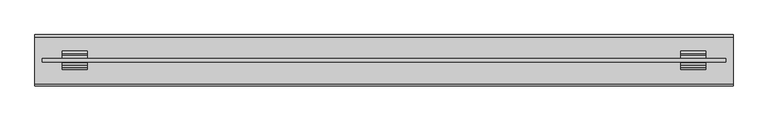
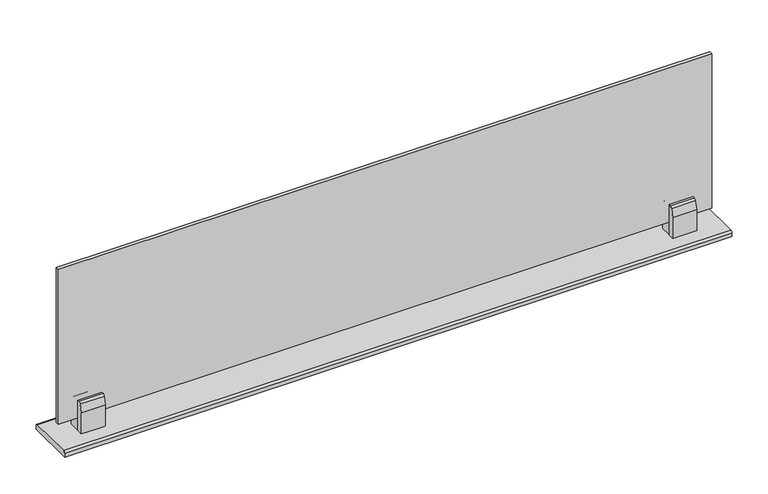
"""IFC4 building model written with IfcOpenShell, lengths in millimetres: furniture geometry."""

from ifc_helpers import new_model, si_unit, point, frame, frame_2d, origin, place, context, project, spatial, polyline, circle_curve, trimmed, segment, composite_curve, outline, extrude, source, transform, mapped, element, save


def furniture_9755a8c0(model_context):
    return source(origin(), model_context, "Body", "SweptSolid", [
        extrude(outline(polyline([(-9.1179732, 1211.2625), (-5.645317, 1211.2625), (-5.645317, 1160.4625), (-15.6664107, 1160.4625), (-15.6664107, 1195.9828125), (-12.1937545, 1208.88125), (-9.1179732, 1211.2625)])), frame((223.205675, 0.0, 0.0), z_axis=(1.0, 0.0, 0.0), x_axis=(0.0, 1.0, 0.0)), (0.0, 0.0, 1.0), 38.1),
        extrude(outline(polyline([(5.8204018, 1211.2625), (8.896183, 1208.88125), (12.3688393, 1195.9828125), (12.3688393, 1160.4625), (-5.4468795, 1160.4625), (-5.4468795, 1180.8023437), (2.3477455, 1180.8023437), (2.3477455, 1211.2625), (5.8204018, 1211.2625)])), frame((223.205675, 0.0, 0.0), z_axis=(1.0, 0.0, 0.0), x_axis=(0.0, 1.0, 0.0)), (0.0, 0.0, 1.0), 38.1),
        extrude(outline(polyline([(-9.1179732, 1211.2625), (-5.645317, 1211.2625), (-5.645317, 1160.4625), (-15.6664107, 1160.4625), (-15.6664107, 1195.9828125), (-12.1937545, 1208.88125), (-9.1179732, 1211.2625)])), frame((-718.499325, 0.0, 0.0), z_axis=(1.0, 0.0, 0.0), x_axis=(0.0, 1.0, 0.0)), (0.0, 0.0, 1.0), 38.1),
        extrude(outline(polyline([(5.8204018, 1211.2625), (8.896183, 1208.88125), (12.3688393, 1195.9828125), (12.3688393, 1160.4625), (-5.4468795, 1160.4625), (-5.4468795, 1180.8023438), (2.3477455, 1180.8023438), (2.3477455, 1211.2625), (5.8204018, 1211.2625)])), frame((-718.499325, 0.0, 0.0), z_axis=(1.0, 0.0, 0.0), x_axis=(0.0, 1.0, 0.0)), (0.0, 0.0, 1.0), 38.1),
        extrude(outline(polyline([(291.468175, 1.0579018), (291.468175, -4.3554732), (-748.661825, -4.3554732), (-748.661825, 1.0579018), (291.468175, 1.0579018)])), frame((0.0, 0.0, 1180.8023437), z_axis=(0.0, 0.0, 1.0), x_axis=(1.0, 0.0, 0.0)), (0.0, 0.0, 1.0), 260.35),
        extrude(outline(composite_curve([segment(polyline([(37.5704018, 1157.2875), (37.5704018, 1150.9375), (-40.8679732, 1150.9375), (-40.8679732, 1157.2875)]), True, "CONTINUOUS"), segment(trimmed(circle_curve(frame_2d((-37.6929732, 1157.2875)), 3.175), [point((-40.8679732, 1157.2875))], [point((-37.6929732, 1160.4625))], False, "CARTESIAN"), True, "CONTINUOUS"), segment(polyline([(-37.6929732, 1160.4625), (34.3954018, 1160.4625)]), True, "CONTINUOUS"), segment(trimmed(circle_curve(frame_2d((34.3954018, 1157.2875)), 3.175), [point((34.3954018, 1160.4625))], [point((37.5704018, 1157.2875))], False, "CARTESIAN"), True, "CONTINUOUS")], self_intersect=False)), frame((-759.774325, 0.0, 0.0), z_axis=(1.0, 0.0, 0.0), x_axis=(0.0, 1.0, 0.0)), (0.0, 0.0, 1.0), 1062.355),
    ])


if __name__ == "__main__":
    model = new_model("IFC4")
    model_context = context("Model", 3, world=origin())
    ifc_project = project(units=[si_unit("LENGTHUNIT", "METRE", prefix="MILLI")], contexts=[model_context])
    site = spatial("IfcSite", under=ifc_project)
    building = spatial("IfcBuilding", under=site)
    placement = place(None, origin())
    furniture_shape = furniture_9755a8c0(model_context)
    element("IfcFurniture", 1, at=placement, inside=building, context=model_context, shape_type="MappedRepresentation", body=[
        mapped(furniture_shape, transform((0.0, 0.0, 0.0), x_axis=(1.0, 0.0, 0.0), y_axis=(0.0, 1.0, 0.0), z_axis=(0.0, 0.0, 1.0))),
    ])
    save(model, "model.ifc")
